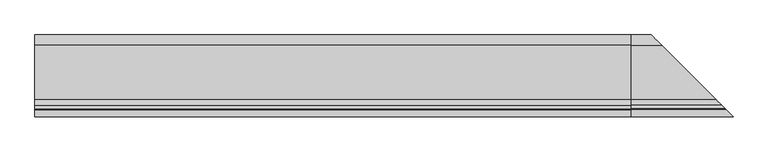
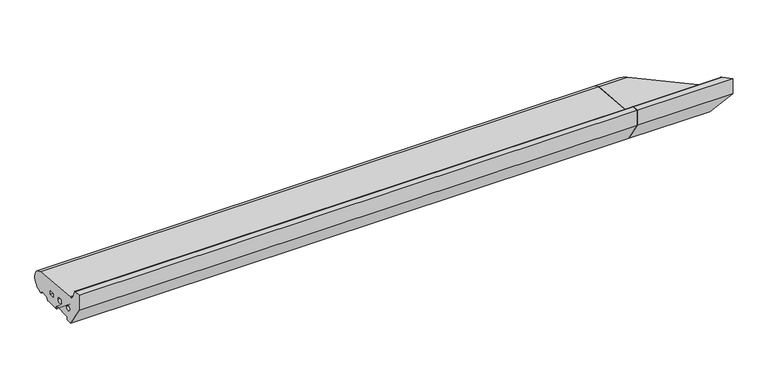
"""IFC4 building model written with IfcOpenShell, lengths in millimetres: proxy geometry."""

from ifc_helpers import new_model, si_unit, point, frame, frame_2d, origin, place, context, project, spatial, polyline, circle_curve, ellipse_curve, trimmed, segment, composite_curve, outline, extrude, source, transform, mapped, element, save
from ifc_brep_helpers import plane_surface, cylinder_surface, revolved_surface, advanced_brep


def generic_models_63c619b8(model_context):
    return source(origin(), model_context, "Body", "SolidModel", [
        advanced_brep(
        [(1239.0, 28.0858073, 50.4091909), (1239.0, 26.5981483, 2.5074549), (1239.0, 25.7072001, 3.0071443), (1239.0, 23.6905989, 6.5), (1239.0, 21.9585481, 7.5), (1239.0, 5.4848276, 7.5), (1239.0, 3.7527767, 6.5), (1239.0, 0.2886751, 0.5), (1239.0, -0.5773503, 0.0), (1239.0, -32.0, 0.0), (1239.0, -33.0, 1.0), (1239.0, -33.0, 5.5), (1239.0, -35.0, 7.5), (1239.0, -73.0, 7.5), (1239.0, -75.0, 5.5), (1239.0, -75.0, 1.0), (1239.0, -76.0, 0.0), (1239.0, -88.0, 0.0), (1239.0, -120.0, 50.0), (1239.0, -120.0, 85.0), (1239.0, -105.2988152, 85.0), (1239.0, -103.4717243, 83.8134733), (1239.0, -96.6696696, 68.5358083), (1239.0, -85.0967541, 60.2830933), (1239.0, -9.5, 28.9289), (1239.0, -21.5, 28.9289), (1239.0, -21.5, 20.9289), (1239.0, -9.5, 20.9289), (1239.0, -51.5, 27.333), (1239.0, -39.5, 27.333), (1239.0, -84.0, 30.0), (1239.0, -72.0, 30.0), (1302.9141927, 28.0858073, 50.4091909), (1304.4018517, 26.5981483, 2.5074549), (1305.2927999, 25.7072001, 3.0071443), (1307.3094011, 23.6905989, 6.5), (1309.0414519, 21.9585481, 7.5), (1325.5151724, 5.4848276, 7.5), (1327.2472233, 3.7527767, 6.5), (1330.7113249, 0.2886751, 0.5), (1331.5773503, -0.5773503, 0.0), (1363.0, -32.0, 0.0), (1364.0, -33.0, 1.0), (1364.0, -33.0, 5.5), (1366.0, -35.0, 7.5), (1404.0, -73.0, 7.5), (1406.0, -75.0, 5.5), (1406.0, -75.0, 1.0), (1407.0, -76.0, 0.0), (1419.0, -88.0, 0.0), (1451.0, -120.0, 50.0), (1451.0, -120.0, 85.0), (1436.2988152, -105.2988152, 85.0), (1434.4717243, -103.4717243, 83.8134733), (1427.6696696, -96.6696696, 68.5358083), (1416.0967541, -85.0967541, 60.2830933), (1340.5, -9.5, 28.9289), (1352.5, -21.5, 28.9289), (1352.5, -21.5, 20.9289), (1340.5, -9.5, 20.9289), (1382.5, -51.5, 27.333), (1370.5, -39.5, 27.333), (1415.0, -84.0, 30.0), (1403.0, -72.0, 30.0)],
        [
            (0, 1, circle_curve(frame((1239.0, 26.0, 26.5), z_axis=(-1.0, 0.0, 0.0), x_axis=(0.0, 1.0, 0.0)), 24.0)),
            (1, 2, circle_curve(frame((1239.0, 26.5732255, 3.5071443), z_axis=(-1.0, 0.0, 0.0), x_axis=(0.0, 1.0, 0.0)), 1.0)),
            (2, 3),
            (3, 4, circle_curve(frame((1239.0, 21.9585481, 5.5), z_axis=(1.0, 0.0, 0.0), x_axis=(0.0, 1.0, 0.0)), 2.0)),
            (4, 5),
            (5, 6, circle_curve(frame((1239.0, 5.4848276, 5.5), z_axis=(1.0, 0.0, 0.0), x_axis=(0.0, 1.0, 0.0)), 2.0)),
            (6, 7),
            (7, 8, circle_curve(frame((1239.0, -0.5773503, 1.0), z_axis=(-1.0, 0.0, 0.0), x_axis=(0.0, 1.0, 0.0)), 1.0)),
            (8, 9),
            (9, 10, circle_curve(frame((1239.0, -32.0, 1.0), z_axis=(-1.0, 0.0, 0.0), x_axis=(0.0, 1.0, 0.0)), 1.0)),
            (10, 11),
            (11, 12, circle_curve(frame((1239.0, -35.0, 5.5), z_axis=(1.0, 0.0, 0.0), x_axis=(0.0, 1.0, 0.0)), 2.0)),
            (12, 13),
            (13, 14, circle_curve(frame((1239.0, -73.0, 5.5), z_axis=(1.0, 0.0, 0.0), x_axis=(0.0, 1.0, 0.0)), 2.0)),
            (14, 15),
            (15, 16, circle_curve(frame((1239.0, -76.0, 1.0), z_axis=(-1.0, 0.0, 0.0), x_axis=(0.0, 1.0, 0.0)), 1.0)),
            (16, 17),
            (17, 18),
            (18, 19),
            (19, 20),
            (20, 21, circle_curve(frame((1239.0, -105.2988152, 83.0), z_axis=(-1.0, 0.0, 0.0), x_axis=(0.0, 1.0, 0.0)), 2.0)),
            (21, 22),
            (22, 23, circle_curve(frame((1239.0, -83.8800332, 74.2301213), z_axis=(1.0, 0.0, 0.0), x_axis=(0.0, 1.0, 0.0)), 14.0)),
            (23, 0),
            (24, 25),
            (25, 26),
            (26, 27),
            (27, 24),
            (28, 29, circle_curve(frame((1239.0, -45.5, 27.333), z_axis=(1.0, 0.0, 0.0), x_axis=(0.0, 1.0, 0.0)), 6.0)),
            (29, 28, circle_curve(frame((1239.0, -45.5, 27.333), z_axis=(1.0, 0.0, 0.0), x_axis=(0.0, 1.0, 0.0)), 6.0)),
            (30, 31, circle_curve(frame((1239.0, -78.0, 30.0), z_axis=(1.0, 0.0, 0.0), x_axis=(0.0, 1.0, 0.0)), 6.0)),
            (31, 30, circle_curve(frame((1239.0, -78.0, 30.0), z_axis=(1.0, 0.0, 0.0), x_axis=(0.0, 1.0, 0.0)), 6.0)),
            (0, 32),
            (32, 33, ellipse_curve(frame((1305.0, 26.0, 26.5), z_axis=(-0.7071067811865469, -0.7071067811865482, 0.0), x_axis=(0.707106781186548, -0.7071067811865469, 0.0)), 33.9411255, 24.0)),
            (33, 1),
            (33, 34, ellipse_curve(frame((1304.4267745, 26.5732255, 3.5071443), z_axis=(-0.7071067811865469, -0.7071067811865482, 0.0), x_axis=(0.707106781186548, -0.7071067811865469, 0.0)), 1.4142136, 1.0)),
            (34, 2),
            (34, 35),
            (35, 3),
            (35, 36, ellipse_curve(frame((1309.0414519, 21.9585481, 5.5), z_axis=(0.7071067811865469, 0.7071067811865482, 0.0), x_axis=(-0.707106781186548, 0.7071067811865469, 0.0)), 2.8284271, 2.0)),
            (36, 4),
            (36, 37),
            (37, 5),
            (37, 38, ellipse_curve(frame((1325.5151724, 5.4848276, 5.5), z_axis=(0.7071067811865469, 0.7071067811865482, 0.0), x_axis=(-0.707106781186548, 0.7071067811865469, 0.0)), 2.8284271, 2.0)),
            (38, 6),
            (38, 39),
            (39, 7),
            (39, 40, ellipse_curve(frame((1331.5773503, -0.5773503, 1.0), z_axis=(-0.7071067811865469, -0.7071067811865482, 0.0), x_axis=(0.707106781186548, -0.7071067811865469, 0.0)), 1.4142136, 1.0)),
            (40, 8),
            (40, 41),
            (41, 9),
            (41, 42, ellipse_curve(frame((1363.0, -32.0, 1.0), z_axis=(-0.7071067811865469, -0.7071067811865482, 0.0), x_axis=(0.707106781186548, -0.7071067811865469, 0.0)), 1.4142136, 1.0)),
            (42, 10),
            (42, 43),
            (43, 11),
            (43, 44, ellipse_curve(frame((1366.0, -35.0, 5.5), z_axis=(0.7071067811865469, 0.7071067811865482, 0.0), x_axis=(-0.707106781186548, 0.7071067811865469, 0.0)), 2.8284271, 2.0)),
            (44, 12),
            (44, 45),
            (45, 13),
            (45, 46, ellipse_curve(frame((1404.0, -73.0, 5.5), z_axis=(0.7071067811865469, 0.7071067811865482, 0.0), x_axis=(-0.707106781186548, 0.7071067811865469, 0.0)), 2.8284271, 2.0)),
            (46, 14),
            (46, 47),
            (47, 15),
            (47, 48, ellipse_curve(frame((1407.0, -76.0, 1.0), z_axis=(-0.7071067811865469, -0.7071067811865482, 0.0), x_axis=(0.707106781186548, -0.7071067811865469, 0.0)), 1.4142136, 1.0)),
            (48, 16),
            (48, 49),
            (49, 17),
            (49, 50),
            (50, 18),
            (50, 51),
            (51, 19),
            (51, 52),
            (52, 20),
            (52, 53, ellipse_curve(frame((1436.2988152, -105.2988152, 83.0), z_axis=(-0.7071067811865469, -0.7071067811865482, 0.0), x_axis=(0.707106781186548, -0.7071067811865469, 0.0)), 2.8284271, 2.0)),
            (53, 21),
            (53, 54),
            (54, 22),
            (54, 55, ellipse_curve(frame((1414.8800332, -83.8800332, 74.2301213), z_axis=(0.7071067811865469, 0.7071067811865482, 0.0), x_axis=(-0.707106781186548, 0.7071067811865469, 0.0)), 19.7989899, 14.0)),
            (55, 23),
            (55, 32),
            (24, 56),
            (56, 57),
            (57, 25),
            (57, 58),
            (58, 26),
            (58, 59),
            (59, 27),
            (59, 56),
            (28, 60),
            (60, 61, ellipse_curve(frame((1376.5, -45.5, 27.333), z_axis=(0.7071067811865469, 0.7071067811865482, 0.0), x_axis=(-0.707106781186548, 0.7071067811865469, 0.0)), 8.4852814, 6.0)),
            (61, 29),
            (61, 60, ellipse_curve(frame((1376.5, -45.5, 27.333), z_axis=(0.7071067811865469, 0.7071067811865482, 0.0), x_axis=(-0.707106781186548, 0.7071067811865469, 0.0)), 8.4852814, 6.0)),
            (30, 62),
            (62, 63, ellipse_curve(frame((1409.0, -78.0, 30.0), z_axis=(0.7071067811865469, 0.7071067811865482, 0.0), x_axis=(-0.707106781186548, 0.7071067811865469, 0.0)), 8.4852814, 6.0)),
            (63, 31),
            (63, 62, ellipse_curve(frame((1409.0, -78.0, 30.0), z_axis=(0.7071067811865469, 0.7071067811865482, 0.0), x_axis=(-0.707106781186548, 0.7071067811865469, 0.0)), 8.4852814, 6.0)),
        ],
        [
            plane_surface(frame((1239.0, 0.0, 0.0), z_axis=(-1.0, 0.0, 0.0), x_axis=(0.0, 0.0, 1.0))),
            cylinder_surface(frame((1451.0, 26.0, 26.5), z_axis=(1.0, 0.0, 0.0), x_axis=(0.0, 1.0, 0.0)), 24.0),
            cylinder_surface(frame((1451.0, 26.5732255, 3.5071443), z_axis=(1.0, 0.0, 0.0), x_axis=(0.0, 1.0, 0.0)), 1.0),
            plane_surface(frame((1451.0, 25.7072001, 3.0071443), z_axis=(0.0, -0.8660254037844404, -0.4999999999999971), x_axis=(-1.0, 0.0, 0.0))),
            revolved_surface(polyline([(1239.0, 23.9585481, 5.5), (1311.0414518825019, 23.9585481, 5.5)]), (1451.0, 21.9585481, 5.5), (-1.0, 0.0, 0.0)),
            plane_surface(frame((1451.0, 21.9585481, 7.5), z_axis=(0.0, 0.0, -1.0), x_axis=(-1.0, 0.0, 0.0))),
            revolved_surface(polyline([(1239.0, 7.4848276, 5.5), (1327.5151723825018, 7.4848276, 5.5)]), (1451.0, 5.4848276, 5.5), (-1.0, 0.0, 0.0)),
            plane_surface(frame((1451.0, 3.7527767, 6.5), z_axis=(0.0, 0.8660254037844436, -0.4999999999999914), x_axis=(-1.0, 0.0, 0.0))),
            cylinder_surface(frame((1451.0, -0.5773503, 1.0), z_axis=(1.0, 0.0, 0.0), x_axis=(0.0, 1.0, 0.0)), 1.0),
            plane_surface(frame((1451.0, -0.5773503, 0.0), z_axis=(0.0, 0.0, -1.0), x_axis=(-1.0, 0.0, 0.0))),
            cylinder_surface(frame((1451.0, -32.0, 1.0), z_axis=(1.0, 0.0, 0.0), x_axis=(0.0, 1.0, 0.0)), 1.0),
            plane_surface(frame((1451.0, -33.0, 1.0), z_axis=(0.0, -1.0, 0.0), x_axis=(-1.0, 0.0, 0.0))),
            revolved_surface(polyline([(1239.0, -33.0, 5.5), (1367.9999999825018, -33.0, 5.5)]), (1451.0, -35.0, 5.5), (-1.0, 0.0, 0.0)),
            plane_surface(frame((1451.0, -35.0, 7.5), z_axis=(0.0, 0.0, -1.0), x_axis=(-1.0, 0.0, 0.0))),
            revolved_surface(polyline([(1239.0, -71.0, 5.5), (1406.0, -71.0, 5.5)]), (1451.0, -73.0, 5.5), (-1.0, 0.0, 0.0)),
            plane_surface(frame((1451.0, -75.0, 5.5), z_axis=(0.0, 1.0, 0.0), x_axis=(-1.0, 0.0, 0.0))),
            cylinder_surface(frame((1451.0, -76.0, 1.0), z_axis=(1.0, 0.0, 0.0), x_axis=(0.0, 1.0, 0.0)), 1.0),
            plane_surface(frame((1451.0, -76.0, 0.0), z_axis=(0.0, 0.0, -1.0), x_axis=(-1.0, 0.0, 0.0))),
            plane_surface(frame((1451.0, -88.0, 0.0), z_axis=(0.0, -0.8422714006615114, -0.5390536964233673), x_axis=(-1.0, 0.0, 0.0))),
            plane_surface(frame((1451.0, -120.0, 50.0), z_axis=(0.0, -1.0, 0.0), x_axis=(-1.0, 0.0, 0.0))),
            plane_surface(frame((1451.0, -120.0, 85.0), z_axis=(0.0, 0.0, 1.0), x_axis=(-1.0, 0.0, 0.0))),
            cylinder_surface(frame((1451.0, -105.2988152, 83.0), z_axis=(1.0, 0.0, 0.0), x_axis=(0.0, 1.0, 0.0)), 2.0),
            plane_surface(frame((1451.0, -103.4717243, 83.8134733), z_axis=(0.0, 0.9135454576426015, 0.406736643075799), x_axis=(-1.0, 0.0, 0.0))),
            revolved_surface(polyline([(1239.0, -69.8800332, 74.2301213), (1428.880033218934, -69.8800332, 74.2301213)]), (1451.0, -83.8800332, 74.2301213), (-1.0, 0.0, 0.0)),
            plane_surface(frame((1451.0, -85.0967541, 60.2830933), z_axis=(0.0, 0.08690863944627715, 0.9962162859487879), x_axis=(-1.0, 0.0, 0.0))),
            plane_surface(frame((1451.0, -9.5, 28.9289), z_axis=(0.0, 0.0, -1.0), x_axis=(-1.0, 0.0, 0.0))),
            plane_surface(frame((1451.0, -21.5, 28.9289), z_axis=(0.0, 1.0, 0.0), x_axis=(-1.0, 0.0, 0.0))),
            plane_surface(frame((1451.0, -21.5, 20.9289), z_axis=(0.0, 0.0, 1.0), x_axis=(-1.0, 0.0, 0.0))),
            plane_surface(frame((1451.0, -9.5, 20.9289), z_axis=(0.0, -1.0, 0.0), x_axis=(-1.0, 0.0, 0.0))),
            revolved_surface(polyline([(1239.0, -39.5, 27.333), (1382.500000018216, -39.5, 27.333)]), (1451.0, -45.5, 27.333), (-1.0, 0.0, 0.0)),
            revolved_surface(polyline([(1239.0, -72.0, 30.0), (1415.000000018216, -72.0, 30.0)]), (1451.0, -78.0, 30.0), (-1.0, 0.0, 0.0)),
            plane_surface(frame((1252.7157288, 78.2842712, 110.0), z_axis=(0.7071067811865469, 0.7071067811865482, 0.0), x_axis=(0.7071067811865482, -0.7071067811865469, 0.0))),
        ],
        [
            (0, [[1, 2, 3, 4, 5, 6, 7, 8, 9, 10, 11, 12, 13, 14, 15, 16, 17, 18, 19, 20, 21, 22, 23, 24], [25, 26, 27, 28], [29, 30], [31, 32]]),
            (1, [[33, 34, 35, -1]]),
            (2, [[-35, 36, 37, -2]]),
            (3, [[-37, 38, 39, -3]]),
            (4, [[-39, 40, 41, -4]]),
            (5, [[-41, 42, 43, -5]]),
            (6, [[-43, 44, 45, -6]]),
            (7, [[-45, 46, 47, -7]]),
            (8, [[-47, 48, 49, -8]]),
            (9, [[-49, 50, 51, -9]]),
            (10, [[-51, 52, 53, -10]]),
            (11, [[-53, 54, 55, -11]]),
            (12, [[-55, 56, 57, -12]]),
            (13, [[-57, 58, 59, -13]]),
            (14, [[-59, 60, 61, -14]]),
            (15, [[-61, 62, 63, -15]]),
            (16, [[-63, 64, 65, -16]]),
            (17, [[-65, 66, 67, -17]]),
            (18, [[-67, 68, 69, -18]]),
            (19, [[-69, 70, 71, -19]]),
            (20, [[-71, 72, 73, -20]]),
            (21, [[-73, 74, 75, -21]]),
            (22, [[-75, 76, 77, -22]]),
            (23, [[-77, 78, 79, -23]]),
            (24, [[-79, 80, -33, -24]]),
            (25, [[81, 82, 83, -25]]),
            (26, [[-83, 84, 85, -26]]),
            (27, [[-85, 86, 87, -27]]),
            (28, [[-87, 88, -81, -28]]),
            (29, [[89, 90, 91, -29]]),
            (29, [[-91, 92, -89, -30]]),
            (30, [[93, 94, 95, -31]]),
            (30, [[-95, 96, -93, -32]]),
            (31, [[-80, -78, -76, -74, -72, -70, -68, -66, -64, -62, -60, -58, -56, -54, -52, -50, -48, -46, -44, -42, -40, -38, -36, -34], [-88, -86, -84, -82], [-92, -90], [-96, -94]]),
        ],
    ),
        extrude(outline(polyline([(1241.0, -120.0), (1239.0, -120.0), (1239.0, -118.0), (1241.0, -118.0), (1241.0, -120.0)])), frame((0.0, 0.0, 50.0), z_axis=(0.0, 0.0, 1.0), x_axis=(1.0, 0.0, 0.0)), (0.0, 0.0, 1.0), 30.0),
        extrude(outline(composite_curve([segment(trimmed(circle_curve(frame_2d((26.0, 26.5)), 24.0), [point((28.0858073, 50.4091909))], [point((26.5981483, 2.5074549))], False, "CARTESIAN"), True, "CONTINUOUS"), segment(trimmed(circle_curve(frame_2d((26.5732255, 3.5071443)), 1.0), [point((26.5981483, 2.5074549))], [point((25.7072001, 3.0071443))], False, "CARTESIAN"), True, "CONTINUOUS"), segment(polyline([(25.7072001, 3.0071443), (23.6905989, 6.5)]), True, "CONTINUOUS"), segment(trimmed(circle_curve(frame_2d((21.9585481, 5.5)), 2.0), [point((23.6905989, 6.5))], [point((21.9585481, 7.5))], True, "CARTESIAN"), True, "CONTINUOUS"), segment(polyline([(21.9585481, 7.5), (5.4848276, 7.5)]), True, "CONTINUOUS"), segment(trimmed(circle_curve(frame_2d((5.4848276, 5.5)), 2.0), [point((5.4848276, 7.5))], [point((3.7527767, 6.5))], True, "CARTESIAN"), True, "CONTINUOUS"), segment(polyline([(3.7527767, 6.5), (0.2886751, 0.5)]), True, "CONTINUOUS"), segment(trimmed(circle_curve(frame_2d((-0.5773503, 1.0)), 1.0), [point((0.2886751, 0.5))], [point((-0.5773503, 0.0))], False, "CARTESIAN"), True, "CONTINUOUS"), segment(polyline([(-0.5773503, 0.0), (-32.0, 0.0)]), True, "CONTINUOUS"), segment(trimmed(circle_curve(frame_2d((-32.0, 1.0)), 1.0), [point((-32.0, 0.0))], [point((-33.0, 1.0))], False, "CARTESIAN"), True, "CONTINUOUS"), segment(polyline([(-33.0, 1.0), (-33.0, 5.5)]), True, "CONTINUOUS"), segment(trimmed(circle_curve(frame_2d((-35.0, 5.5)), 2.0), [point((-33.0, 5.5))], [point((-35.0, 7.5))], True, "CARTESIAN"), True, "CONTINUOUS"), segment(polyline([(-35.0, 7.5), (-73.0, 7.5)]), True, "CONTINUOUS"), segment(trimmed(circle_curve(frame_2d((-73.0, 5.5)), 2.0), [point((-73.0, 7.5))], [point((-75.0, 5.5))], True, "CARTESIAN"), True, "CONTINUOUS"), segment(polyline([(-75.0, 5.5), (-75.0, 1.0)]), True, "CONTINUOUS"), segment(trimmed(circle_curve(frame_2d((-76.0, 1.0)), 1.0), [point((-75.0, 1.0))], [point((-76.0, 0.0))], False, "CARTESIAN"), True, "CONTINUOUS"), segment(polyline([(-76.0, 0.0), (-88.0, 0.0), (-120.0, 50.0), (-120.0, 85.0), (-105.2988152, 85.0)]), True, "CONTINUOUS"), segment(trimmed(circle_curve(frame_2d((-105.2988152, 83.0)), 2.0), [point((-105.2988152, 85.0))], [point((-103.4717243, 83.8134733))], False, "CARTESIAN"), True, "CONTINUOUS"), segment(polyline([(-103.4717243, 83.8134733), (-96.6696696, 68.5358083)]), True, "CONTINUOUS"), segment(trimmed(circle_curve(frame_2d((-83.8800332, 74.2301213)), 14.0), [point((-96.6696696, 68.5358083))], [point((-85.0967541, 60.2830933))], True, "CARTESIAN"), True, "CONTINUOUS"), segment(polyline([(-85.0967541, 60.2830933), (28.0858073, 50.4091909)]), True, "CONTINUOUS")], self_intersect=False), holes=[polyline([(-9.5, 28.9289), (-21.5, 28.9289), (-21.5, 20.9289), (-9.5, 20.9289), (-9.5, 28.9289)]), composite_curve([segment(trimmed(circle_curve(frame_2d((-45.5, 27.333)), 6.0), [point((-51.5, 27.333))], [point((-39.5, 27.333))], True, "CARTESIAN"), True, "CONTINUOUS"), segment(trimmed(circle_curve(frame_2d((-45.5, 27.333)), 6.0), [point((-39.5, 27.333))], [point((-51.5, 27.333))], True, "CARTESIAN"), True, "CONTINUOUS")], self_intersect=False), composite_curve([segment(trimmed(circle_curve(frame_2d((-78.0, 30.0)), 6.0), [point((-84.0, 30.0))], [point((-72.0, 30.0))], True, "CARTESIAN"), True, "CONTINUOUS"), segment(trimmed(circle_curve(frame_2d((-78.0, 30.0)), 6.0), [point((-72.0, 30.0))], [point((-84.0, 30.0))], True, "CARTESIAN"), True, "CONTINUOUS")], self_intersect=False)]), frame((0.0, 0.0, 0.0), z_axis=(1.0, 0.0, 0.0), x_axis=(0.0, 1.0, 0.0)), (0.0, 0.0, 1.0), 1239.0),
    ])


if __name__ == "__main__":
    model = new_model("IFC4")
    model_context = context("Model", 3, world=origin())
    ifc_project = project(units=[si_unit("LENGTHUNIT", "METRE", prefix="MILLI")], contexts=[model_context])
    site = spatial("IfcSite", under=ifc_project)
    building = spatial("IfcBuilding", under=site)
    placement = place(None, origin())
    generic_models_shape = generic_models_63c619b8(model_context)
    element("IfcBuildingElementProxy", 1, Name="Generic Models", at=placement, inside=building, context=model_context, shape_type="MappedRepresentation", body=[
        mapped(generic_models_shape, transform((0.0, 0.0, 0.0), x_axis=(1.0, 0.0, 0.0), y_axis=(0.0, 1.0, 0.0), z_axis=(0.0, 0.0, 1.0))),
    ])
    save(model, "model.ifc")
